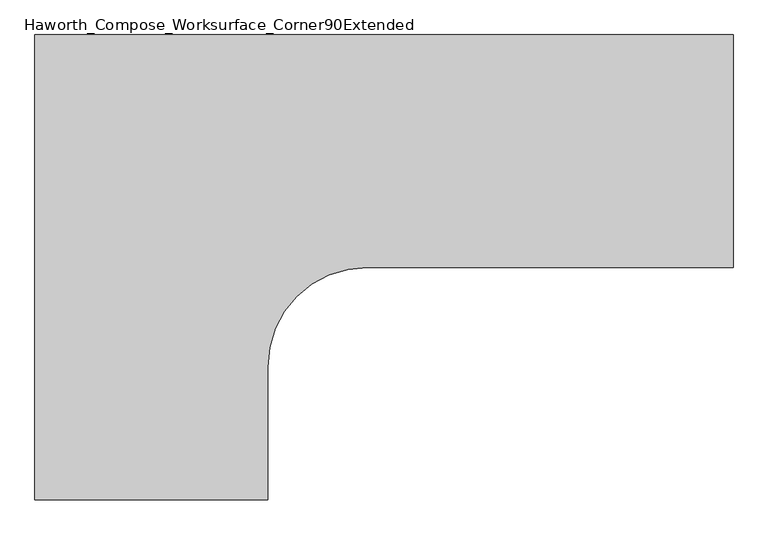
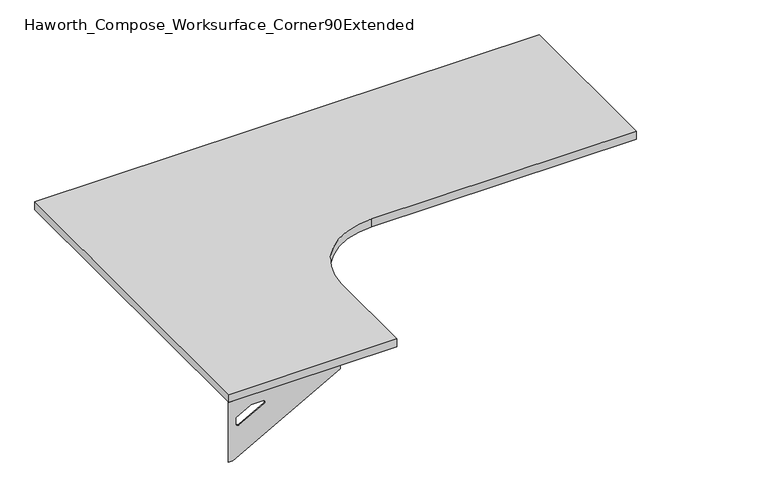
"""IFC4 building model written with IfcOpenShell, lengths in millimetres: furniture geometry, Haworth_Compose_Worksurface_Corner90Extended."""

from ifc_helpers import new_model, si_unit, point, frame, frame_2d, origin, place, context, project, spatial, polyline, circle_curve, trimmed, segment, composite_curve, outline, extrude, source, transform, mapped, element, save
from ifc_brep_helpers import plane_surface, revolved_surface, advanced_brep


def haworth_compose_worksurface_corner90extended_c13bd717(model_context):
    return source(origin(), model_context, "Body", "SolidModel", [
        advanced_brep(
        [(1061.24375, 152.4, 475.45625), (1061.24375, 136.525, 475.45625), (1061.24375, -254.0, 691.7192568), (1061.24375, -254.0, 704.05625), (1061.24375, 136.525, 704.05625), (1061.24375, 152.4, 704.05625), (1061.24375, 69.090072, 665.95625), (1061.24375, 25.4355284, 665.95625), (1061.24375, 22.7564235, 656.3705539), (1061.24375, 114.4776173, 605.5776439), (1061.24375, 123.825, 611.1756969), (1061.24375, 123.825, 634.6860246), (1061.24375, 122.0730055, 637.5242776), (1061.24375, 72.1663437, 665.1613425), (1063.625, 152.4, 475.45625), (1063.625, 152.4, 704.05625), (1063.625, 136.525, 704.05625), (1063.625, 136.525, 706.4375), (1063.625, -254.0, 706.4375), (1063.625, -254.0, 691.7192568), (1063.625, 136.525, 475.45625), (1063.625, 69.090072, 665.95625), (1063.625, 72.1663437, 665.1613425), (1063.625, 122.0730055, 637.5242776), (1063.625, 123.825, 634.6860246), (1063.625, 123.825, 611.1756969), (1063.625, 114.4776173, 605.5776439), (1063.625, 22.7564235, 656.3705539), (1063.625, 25.4355284, 665.95625), (1022.35, -254.0, 706.4375), (1022.35, -254.0, 704.05625), (1022.35, 136.525, 704.05625), (1022.35, 136.525, 706.4375)],
        [
            (0, 1),
            (1, 2),
            (2, 3),
            (3, 4),
            (4, 5),
            (5, 0),
            (6, 7),
            (7, 8, circle_curve(frame((1061.24375, 25.4355284, 660.7890106), z_axis=(1.0, 0.0, 0.0), x_axis=(0.0, -1.0, 0.0)), 5.1672394)),
            (8, 9),
            (9, 10, circle_curve(frame((1061.24375, 117.475, 611.1756969), z_axis=(1.0, 0.0, 0.0), x_axis=(0.0, -1.0, 0.0)), 6.35)),
            (10, 11),
            (11, 12, circle_curve(frame((1061.24375, 120.65, 634.6860246), z_axis=(1.0, 0.0, 0.0), x_axis=(0.0, -1.0, 0.0)), 3.175)),
            (12, 13),
            (13, 6, circle_curve(frame((1061.24375, 69.090072, 659.60625), z_axis=(1.0, 0.0, 0.0), x_axis=(0.0, -1.0, 0.0)), 6.35)),
            (14, 15),
            (15, 16),
            (16, 17),
            (17, 18),
            (18, 19),
            (19, 20),
            (20, 14),
            (21, 22, circle_curve(frame((1063.625, 69.090072, 659.60625), z_axis=(-1.0, 0.0, 0.0), x_axis=(0.0, -1.0, 0.0)), 6.35)),
            (22, 23),
            (23, 24, circle_curve(frame((1063.625, 120.65, 634.6860246), z_axis=(-1.0, 0.0, 0.0), x_axis=(0.0, -1.0, 0.0)), 3.175)),
            (24, 25),
            (25, 26, circle_curve(frame((1063.625, 117.475, 611.1756969), z_axis=(-1.0, 0.0, 0.0), x_axis=(0.0, -1.0, 0.0)), 6.35)),
            (26, 27),
            (27, 28, circle_curve(frame((1063.625, 25.4355284, 660.7890106), z_axis=(-1.0, 0.0, 0.0), x_axis=(0.0, -1.0, 0.0)), 5.1672394)),
            (28, 21),
            (4, 16),
            (15, 5),
            (14, 0),
            (20, 1),
            (19, 2),
            (18, 29),
            (29, 30),
            (30, 3),
            (6, 21),
            (28, 7),
            (9, 26),
            (25, 10),
            (24, 11),
            (23, 12),
            (27, 8),
            (31, 4),
            (30, 31),
            (32, 29),
            (17, 32),
            (31, 32),
            (22, 13),
        ],
        [
            plane_surface(frame((1061.24375, 152.4, 475.45625), z_axis=(-1.0, 0.0, 0.0), x_axis=(0.0, 1.0, 0.0))),
            plane_surface(frame((1063.625, 152.4, 475.45625), z_axis=(1.0, 0.0, 0.0), x_axis=(0.0, -1.0, 0.0))),
            plane_surface(frame((1063.625, -254.0, 704.05625), z_axis=(0.0, 0.0, 1.0), x_axis=(-1.0, 0.0, 0.0))),
            plane_surface(frame((1063.625, 152.4, 704.05625), z_axis=(0.0, 1.0, 0.0), x_axis=(-1.0, 0.0, 0.0))),
            plane_surface(frame((1063.625, 152.4, 475.45625), z_axis=(0.0, 0.0, -1.0), x_axis=(-1.0, 0.0, 0.0))),
            plane_surface(frame((1063.625, 136.525, 475.45625), z_axis=(0.0, -0.4844522351345575, -0.8748177135112957), x_axis=(-1.0, 0.0, 0.0))),
            plane_surface(frame((1063.625, -254.0, 691.7192568), z_axis=(0.0, -1.0, 0.0), x_axis=(-1.0, 0.0, 0.0))),
            plane_surface(frame((1063.625, 69.090072, 665.95625), z_axis=(0.0, 0.0, -1.0), x_axis=(-1.0, 0.0, 0.0))),
            revolved_surface(polyline([(1061.24375, 111.125, 611.1756969), (1063.625, 111.125, 611.1756969)]), (1063.625, 117.475, 611.1756969), (-1.0, 0.0, 0.0)),
            plane_surface(frame((1063.625, 123.825, 611.1756969), z_axis=(0.0, -1.0, 0.0), x_axis=(-1.0, 0.0, 0.0))),
            revolved_surface(polyline([(1061.24375, 117.47500000000001, 634.6860246), (1063.625, 117.47500000000001, 634.6860246)]), (1063.625, 120.65, 634.6860246), (-1.0, 0.0, 0.0)),
            revolved_surface(polyline([(1061.24375, 20.268289, 660.7890106), (1063.625, 20.268289, 660.7890106)]), (1063.625, 25.4355284, 660.7890106), (-1.0, 0.0, 0.0)),
            plane_surface(frame((1063.625, 136.525, 704.05625), z_axis=(0.0, 0.0, -1.0), x_axis=(-1.0, 0.0, 0.0))),
            plane_surface(frame((1063.625, 136.525, 706.4375), z_axis=(0.0, 0.0, 1.0), x_axis=(1.0, 0.0, 0.0))),
            plane_surface(frame((1022.35, 136.525, 706.4375), z_axis=(0.0, 1.0, 0.0), x_axis=(0.0, 0.0, -1.0))),
            plane_surface(frame((1022.35, -254.0, 706.4375), z_axis=(-1.0, 0.0, 0.0), x_axis=(0.0, 0.0, -1.0))),
            plane_surface(frame((1063.625, 22.7564235, 656.3705539), z_axis=(0.0, 0.4844522351341526, 0.8748177135115199), x_axis=(-1.0, 0.0, 0.0))),
            plane_surface(frame((1063.625, 122.0730055, 637.5242776), z_axis=(0.0, -0.48445223513456226, -0.874817713511293), x_axis=(-1.0, 0.0, 0.0))),
            revolved_surface(polyline([(1061.24375, 62.740072000000005, 659.60625), (1063.625, 62.740072000000005, 659.60625)]), (1063.625, 69.090072, 659.60625), (-1.0, 0.0, 0.0)),
        ],
        [
            (0, [[1, 2, 3, 4, 5, 6], [7, 8, 9, 10, 11, 12, 13, 14]]),
            (1, [[15, 16, 17, 18, 19, 20, 21], [22, 23, 24, 25, 26, 27, 28, 29]]),
            (2, [[-5, 30, -16, 31]]),
            (3, [[-31, -15, 32, -6]]),
            (4, [[-32, -21, 33, -1]]),
            (5, [[-33, -20, 34, -2]]),
            (6, [[-34, -19, 35, 36, 37, -3]]),
            (7, [[38, -29, 39, -7]]),
            (8, [[40, -26, 41, -10]]),
            (9, [[-41, -25, 42, -11]]),
            (10, [[-42, -24, 43, -12]]),
            (11, [[-39, -28, 44, -8]]),
            (12, [[45, -4, -37, 46]]),
            (13, [[47, -35, -18, 48]]),
            (14, [[-17, -30, -45, 49, -48]]),
            (15, [[-36, -47, -49, -46]]),
            (16, [[-44, -27, -40, -9]]),
            (17, [[-43, -23, 50, -13]]),
            (18, [[-50, -22, -38, -14]]),
        ],
    ),
        advanced_brep(
        [(-762.0, -1061.24375, 475.45625), (-762.0, -1061.24375, 704.05625), (-746.125, -1061.24375, 704.05625), (-355.6, -1061.24375, 704.05625), (-355.6, -1061.24375, 691.7192568), (-746.125, -1061.24375, 475.45625), (-678.690072, -1061.24375, 665.95625), (-681.7663437, -1061.24375, 665.1613425), (-731.6730055, -1061.24375, 637.5242776), (-733.425, -1061.24375, 634.6860246), (-733.425, -1061.24375, 611.1756969), (-724.0776173, -1061.24375, 605.5776439), (-632.3564235, -1061.24375, 656.3705539), (-635.0355284, -1061.24375, 665.95625), (-762.0, -1063.625, 475.45625), (-746.125, -1063.625, 475.45625), (-355.6, -1063.625, 691.7192568), (-355.6, -1063.625, 706.4375), (-746.125, -1063.625, 706.4375), (-746.125, -1063.625, 704.05625), (-762.0, -1063.625, 704.05625), (-678.690072, -1063.625, 665.95625), (-635.0355284, -1063.625, 665.95625), (-632.3564235, -1063.625, 656.3705539), (-724.0776173, -1063.625, 605.5776439), (-733.425, -1063.625, 611.1756969), (-733.425, -1063.625, 634.6860246), (-731.6730055, -1063.625, 637.5242776), (-681.7663437, -1063.625, 665.1613425), (-355.6, -1022.35, 704.05625), (-355.6, -1022.35, 706.4375), (-746.125, -1022.35, 704.05625), (-746.125, -1022.35, 706.4375)],
        [
            (0, 1),
            (1, 2),
            (2, 3),
            (3, 4),
            (4, 5),
            (5, 0),
            (6, 7, circle_curve(frame((-678.690072, -1061.24375, 659.60625), z_axis=(0.0, -1.0, 0.0), x_axis=(1.0, 0.0, 0.0)), 6.35)),
            (7, 8),
            (8, 9, circle_curve(frame((-730.25, -1061.24375, 634.6860246), z_axis=(0.0, -1.0, 0.0), x_axis=(1.0, 0.0, 0.0)), 3.175)),
            (9, 10),
            (10, 11, circle_curve(frame((-727.075, -1061.24375, 611.1756969), z_axis=(0.0, -1.0, 0.0), x_axis=(1.0, 0.0, 0.0)), 6.35)),
            (11, 12),
            (12, 13, circle_curve(frame((-635.0355284, -1061.24375, 660.7890106), z_axis=(0.0, -1.0, 0.0), x_axis=(1.0, 0.0, 0.0)), 5.1672394)),
            (13, 6),
            (14, 15),
            (15, 16),
            (16, 17),
            (17, 18),
            (18, 19),
            (19, 20),
            (20, 14),
            (21, 22),
            (22, 23, circle_curve(frame((-635.0355284, -1063.625, 660.7890106), z_axis=(0.0, 1.0, 0.0), x_axis=(1.0, 0.0, 0.0)), 5.1672394)),
            (23, 24),
            (24, 25, circle_curve(frame((-727.075, -1063.625, 611.1756969), z_axis=(0.0, 1.0, 0.0), x_axis=(1.0, 0.0, 0.0)), 6.35)),
            (25, 26),
            (26, 27, circle_curve(frame((-730.25, -1063.625, 634.6860246), z_axis=(0.0, 1.0, 0.0), x_axis=(1.0, 0.0, 0.0)), 3.175)),
            (27, 28),
            (28, 21, circle_curve(frame((-678.690072, -1063.625, 659.60625), z_axis=(0.0, 1.0, 0.0), x_axis=(1.0, 0.0, 0.0)), 6.35)),
            (1, 20),
            (19, 2),
            (0, 14),
            (5, 15),
            (4, 16),
            (3, 29),
            (29, 30),
            (30, 17),
            (13, 22),
            (21, 6),
            (10, 25),
            (24, 11),
            (9, 26),
            (8, 27),
            (12, 23),
            (31, 29),
            (2, 31),
            (32, 18),
            (30, 32),
            (32, 31),
            (7, 28),
        ],
        [
            plane_surface(frame((-762.0, -1061.24375, 475.45625), z_axis=(0.0, 1.0, 0.0), x_axis=(-1.0, 0.0, 0.0))),
            plane_surface(frame((-762.0, -1063.625, 475.45625), z_axis=(0.0, -1.0, 0.0), x_axis=(1.0, 0.0, 0.0))),
            plane_surface(frame((-355.6, -1063.625, 704.05625), z_axis=(0.0, 0.0, 1.0), x_axis=(0.0, 1.0, 0.0))),
            plane_surface(frame((-762.0, -1063.625, 704.05625), z_axis=(-1.0, 0.0, 0.0), x_axis=(0.0, 1.0, 0.0))),
            plane_surface(frame((-762.0, -1063.625, 475.45625), z_axis=(0.0, 0.0, -1.0), x_axis=(0.0, 1.0, 0.0))),
            plane_surface(frame((-746.125, -1063.625, 475.45625), z_axis=(0.4844522351345575, 0.0, -0.8748177135112957), x_axis=(0.0, 1.0, 0.0))),
            plane_surface(frame((-355.6, -1063.625, 691.7192568), z_axis=(1.0, 0.0, 0.0), x_axis=(0.0, 1.0, 0.0))),
            plane_surface(frame((-678.690072, -1063.625, 665.95625), z_axis=(0.0, 0.0, -1.0), x_axis=(0.0, 1.0, 0.0))),
            revolved_surface(polyline([(-720.725, -1061.24375, 611.1756969), (-720.725, -1063.625, 611.1756969)]), (-727.075, -1063.625, 611.1756969), (0.0, 1.0, 0.0)),
            plane_surface(frame((-733.425, -1063.625, 611.1756969), z_axis=(1.0, 0.0, 0.0), x_axis=(0.0, 1.0, 0.0))),
            revolved_surface(polyline([(-727.075, -1061.24375, 634.6860246), (-727.075, -1063.625, 634.6860246)]), (-730.25, -1063.625, 634.6860246), (0.0, 1.0, 0.0)),
            revolved_surface(polyline([(-629.868289, -1061.24375, 660.7890106), (-629.868289, -1063.625, 660.7890106)]), (-635.0355284, -1063.625, 660.7890106), (0.0, 1.0, 0.0)),
            plane_surface(frame((-746.125, -1063.625, 704.05625), z_axis=(0.0, 0.0, -1.0), x_axis=(0.0, 1.0, 0.0))),
            plane_surface(frame((-746.125, -1063.625, 706.4375), z_axis=(0.0, 0.0, 1.0), x_axis=(0.0, -1.0, 0.0))),
            plane_surface(frame((-746.125, -1022.35, 706.4375), z_axis=(-1.0, 0.0, 0.0), x_axis=(0.0, 0.0, -1.0))),
            plane_surface(frame((-355.6, -1022.35, 706.4375), z_axis=(0.0, 1.0, 0.0), x_axis=(0.0, 0.0, -1.0))),
            plane_surface(frame((-632.3564235, -1063.625, 656.3705539), z_axis=(-0.4844522351341526, 0.0, 0.8748177135115199), x_axis=(0.0, 1.0, 0.0))),
            plane_surface(frame((-731.6730055, -1063.625, 637.5242776), z_axis=(0.48445223513456226, 0.0, -0.874817713511293), x_axis=(0.0, 1.0, 0.0))),
            revolved_surface(polyline([(-672.340072, -1061.24375, 659.60625), (-672.340072, -1063.625, 659.60625)]), (-678.690072, -1063.625, 659.60625), (0.0, 1.0, 0.0)),
        ],
        [
            (0, [[1, 2, 3, 4, 5, 6], [7, 8, 9, 10, 11, 12, 13, 14]]),
            (1, [[15, 16, 17, 18, 19, 20, 21], [22, 23, 24, 25, 26, 27, 28, 29]]),
            (2, [[30, -20, 31, -2]]),
            (3, [[-1, 32, -21, -30]]),
            (4, [[-6, 33, -15, -32]]),
            (5, [[-5, 34, -16, -33]]),
            (6, [[-4, 35, 36, 37, -17, -34]]),
            (7, [[-14, 38, -22, 39]]),
            (8, [[-11, 40, -25, 41]]),
            (9, [[-10, 42, -26, -40]]),
            (10, [[-9, 43, -27, -42]]),
            (11, [[-13, 44, -23, -38]]),
            (12, [[45, -35, -3, 46]]),
            (13, [[47, -18, -37, 48]]),
            (14, [[-47, 49, -46, -31, -19]]),
            (15, [[-45, -49, -48, -36]]),
            (16, [[-12, -41, -24, -44]]),
            (17, [[-8, 50, -28, -43]]),
            (18, [[-7, -39, -29, -50]]),
        ],
    ),
        extrude(outline(composite_curve([segment(polyline([(-762.0, 152.4), (1066.8, 152.4), (1066.8, -457.2), (107.95, -457.2)]), True, "CONTINUOUS"), segment(trimmed(circle_curve(frame_2d((107.95, -717.55)), 260.35), [point((107.95, -457.2))], [point((-152.4, -717.55))], True, "CARTESIAN"), True, "CONTINUOUS"), segment(polyline([(-152.4, -717.55), (-152.4, -1066.8), (-762.0, -1066.8), (-762.0, 152.4)]), True, "CONTINUOUS")], self_intersect=False)), frame((0.0, 0.0, 706.4375), z_axis=(0.0, 0.0, 1.0), x_axis=(1.0, 0.0, 0.0)), (0.0, 0.0, 1.0), 30.1625),
    ])


if __name__ == "__main__":
    model = new_model("IFC4")
    model_context = context("Model", 3, world=origin())
    ifc_project = project(units=[si_unit("LENGTHUNIT", "METRE", prefix="MILLI")], contexts=[model_context])
    site = spatial("IfcSite", under=ifc_project)
    building = spatial("IfcBuilding", under=site)
    placement = place(None, origin())
    haworth_compose_worksurface_corner90extended_shape = haworth_compose_worksurface_corner90extended_c13bd717(model_context)
    element("IfcFurniture", 1, ObjectType="Haworth_Compose_Worksurface_Corner90Extended", at=placement, inside=building, context=model_context, shape_type="MappedRepresentation", body=[
        mapped(haworth_compose_worksurface_corner90extended_shape, transform((0.0, 0.0, 0.0), x_axis=(1.0, 0.0, 0.0), y_axis=(0.0, 1.0, 0.0), z_axis=(0.0, 0.0, 1.0))),
    ])
    save(model, "model.ifc")
